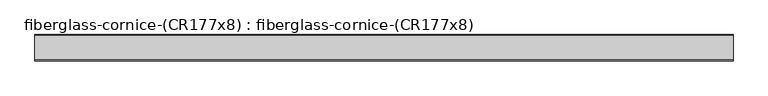
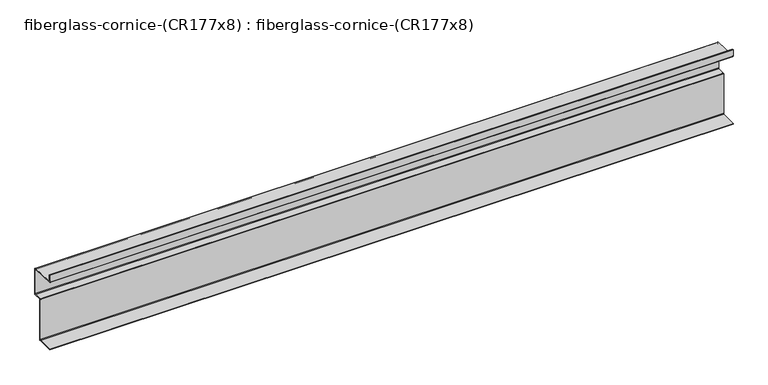
"""IFC4 building model written with IfcOpenShell, lengths in millimetres: furniture geometry, fiberglass-cornice-(CR177x8) : fiberglass-cornice-(CR177x8)."""

from ifc_helpers import new_model, si_unit, point, frame, frame_2d, origin, place, context, project, spatial, polyline, circle_curve, trimmed, segment, composite_curve, outline, extrude, source, transform, mapped, element, save


def fiberglass_cornice_cr177x8_fiberglass_cornice_cr177x8_c84c521e(model_context):
    return source(origin(), model_context, "Body", "SweptSolid", [
        extrude(outline(composite_curve([segment(polyline([(101.6, 330.1999904), (107.315, 330.1999904), (107.315, 294.8808703)]), True, "CONTINUOUS"), segment(trimmed(circle_curve(frame_2d((110.49, 294.8808703)), 3.175), [point((107.315, 294.8808703))], [point((110.357823, 291.7086228))], True, "CARTESIAN"), True, "CONTINUOUS"), segment(polyline([(110.357823, 291.7086228), (250.322177, 285.8767747)]), True, "CONTINUOUS"), segment(trimmed(circle_curve(frame_2d((250.19, 282.7045272)), 3.175), [point((250.322177, 285.8767747))], [point((253.365, 282.7045272))], False, "CARTESIAN"), True, "CONTINUOUS"), segment(polyline([(253.365, 282.7045272), (253.365, 123.5526185)]), True, "CONTINUOUS"), segment(trimmed(circle_curve(frame_2d((250.19, 123.5526185)), 3.175), [point((253.365, 123.5526185))], [point((250.19, 120.3776185))], False, "CARTESIAN"), True, "CONTINUOUS"), segment(polyline([(250.19, 120.3776185), (205.74, 120.3776185)]), True, "CONTINUOUS"), segment(trimmed(circle_curve(frame_2d((205.74, 117.2026185)), 3.175), [point((205.74, 120.3776185))], [point((202.565, 117.2026185))], True, "CARTESIAN"), True, "CONTINUOUS"), segment(polyline([(202.565, 117.2026185), (202.565, -130.4473815)]), True, "CONTINUOUS"), segment(trimmed(circle_curve(frame_2d((199.39, -130.4473815)), 3.175), [point((202.565, -130.4473815))], [point((199.39, -133.6223815))], False, "CARTESIAN"), True, "CONTINUOUS"), segment(polyline([(199.39, -133.6223815), (100.965, -133.6223815), (100.965, -129.4948815), (194.6275, -129.4948815)]), True, "CONTINUOUS"), segment(trimmed(circle_curve(frame_2d((194.6275, -125.6848815)), 3.81), [point((194.6275, -129.4948815))], [point((198.4375, -125.6848815))], True, "CARTESIAN"), True, "CONTINUOUS"), segment(polyline([(198.4375, -125.6848815), (198.4375, 121.9651185)]), True, "CONTINUOUS"), segment(trimmed(circle_curve(frame_2d((200.9775, 121.9651185)), 2.54), [point((198.4375, 121.9651185))], [point((200.9775, 124.5051185))], False, "CARTESIAN"), True, "CONTINUOUS"), segment(polyline([(200.9775, 124.5051185), (245.4275, 124.5051185)]), True, "CONTINUOUS"), segment(trimmed(circle_curve(frame_2d((245.4275, 128.3151185)), 3.81), [point((245.4275, 124.5051185))], [point((249.2375, 128.3151185))], True, "CARTESIAN"), True, "CONTINUOUS"), segment(polyline([(249.2375, 128.3151185), (249.2375, 276.5529647)]), True, "CONTINUOUS"), segment(trimmed(circle_curve(frame_2d((245.4275, 276.5529647)), 3.81), [point((249.2375, 276.5529647))], [point((245.5861124, 280.3596617))], True, "CARTESIAN"), True, "CONTINUOUS"), segment(polyline([(245.5861124, 280.3596617), (104.0342584, 286.2576556)]), True, "CONTINUOUS"), segment(trimmed(circle_curve(frame_2d((104.14, 288.7954536)), 2.54), [point((104.0342584, 286.2576556))], [point((101.6, 288.7954536))], False, "CARTESIAN"), True, "CONTINUOUS"), segment(polyline([(101.6, 288.7954536), (101.6, 330.1999904)]), True, "CONTINUOUS")], self_intersect=False)), frame((-2012.9498044, 0.0, 0.0), z_axis=(1.0, 0.0, 0.0), x_axis=(0.0, 1.0, 0.0)), (0.0, 0.0, 1.0), 4025.8996087),
    ])


if __name__ == "__main__":
    model = new_model("IFC4")
    model_context = context("Model", 3, world=origin())
    ifc_project = project(units=[si_unit("LENGTHUNIT", "METRE", prefix="MILLI")], contexts=[model_context])
    site = spatial("IfcSite", under=ifc_project)
    building = spatial("IfcBuilding", under=site)
    placement = place(None, origin())
    fiberglass_cornice_cr177x8_fiberglass_cornice_cr177x8_shape = fiberglass_cornice_cr177x8_fiberglass_cornice_cr177x8_c84c521e(model_context)
    element("IfcFurniture", 1, ObjectType="fiberglass-cornice-(CR177x8) : fiberglass-cornice-(CR177x8)", at=placement, inside=building, context=model_context, shape_type="MappedRepresentation", body=[
        mapped(fiberglass_cornice_cr177x8_fiberglass_cornice_cr177x8_shape, transform((0.0, 0.0, 0.0), x_axis=(1.0, 0.0, 0.0), y_axis=(0.0, 1.0, 0.0), z_axis=(0.0, 0.0, 1.0))),
    ])
    save(model, "model.ifc")
